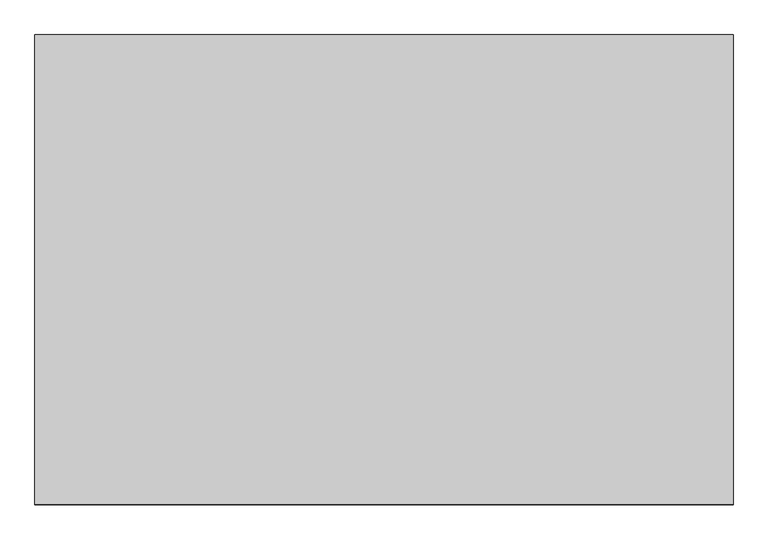
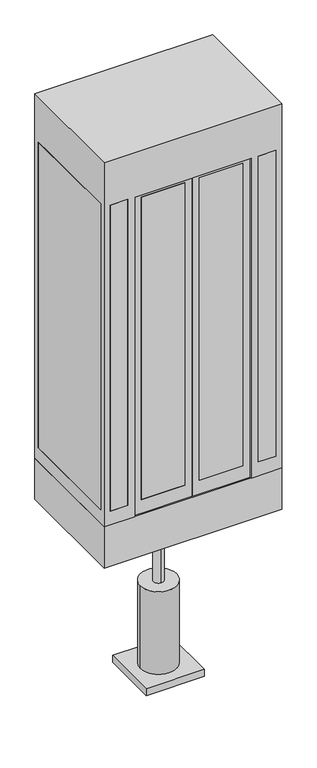
"""IFC4 building model written with IfcOpenShell, lengths in millimetres: proxy geometry."""

import ifcopenshell
import ifcopenshell.guid

model = None  # the IFC model being written
_history = None  # IfcOwnerHistory: only IFC2X3 demands one
_inside = {}  # id of a spatial element -> (the spatial element, [elements in it])
_under = {}  # id of a project, library or spatial element -> (it, [spatial elements below it])
_declared = {}  # id of a project -> (the project, [libraries it declares])
_typed = {}  # id of a type object -> (the type object, [elements of that type])
_made_of = {}  # id of a material, layer set ... -> (it, [elements and type objects made of it])


def new_model(schema):
    """Start an empty IFC model of exactly this schema.

    Asked for "IFC4X3", IfcOpenShell would pick the latest addendum, in which some entities
    have other attributes; the version numbers below select the first issue.
    IFC2X3 requires an IfcOwnerHistory on every rooted entity: one is made here for all.
    """
    global model, _history
    if schema == "IFC4X3":
        model = ifcopenshell.file(schema_version=(4, 3, 0, 0))
    else:
        model = ifcopenshell.file(schema=schema)
    _inside.clear()
    _under.clear()
    _declared.clear()
    _typed.clear()
    _made_of.clear()
    _history = None
    if model.schema == "IFC2X3":
        org = make("IfcOrganization", Name="unknown")
        user = make(
            "IfcPersonAndOrganization",
            ThePerson=make("IfcPerson", FamilyName="unknown"),
            TheOrganization=org,
        )
        app = make(
            "IfcApplication",
            ApplicationDeveloper=org,
            Version="unknown",
            ApplicationFullName="unknown",
            ApplicationIdentifier="unknown",
        )
        _history = make(
            "IfcOwnerHistory",
            OwningUser=user,
            OwningApplication=app,
            ChangeAction="ADDED",
            CreationDate=0,
        )
    return model


def make(cls, **values):
    """One entity of the class cls with the attributes given. An attribute that is None is left unset."""
    return model.create_entity(
        cls, **{name: value for name, value in values.items() if value is not None}
    )


def rooted(cls, **values):
    """An entity with a GlobalId (a new one), such as an element, a storey or a relation."""
    return make(cls, GlobalId=ifcopenshell.guid.new(), OwnerHistory=_history, **values)


def si_unit(unit_type, name, prefix=None):
    """IfcSIUnit, for example si_unit("LENGTHUNIT", "METRE", prefix="MILLI")."""
    return make("IfcSIUnit", UnitType=unit_type, Prefix=prefix, Name=name)


def assignment(units):
    """IfcUnitAssignment: the units of a project."""
    return None if units is None else make("IfcUnitAssignment", Units=units)


def point(xyz):
    """IfcCartesianPoint."""
    return None if xyz is None else make("IfcCartesianPoint", Coordinates=xyz)


def direction(xyz):
    """IfcDirection."""
    return None if xyz is None else make("IfcDirection", DirectionRatios=xyz)


def frame(location, z_axis=None, x_axis=None):
    """IfcAxis2Placement3D, a coordinate frame: its origin and axes. An axis left out is left unset."""
    return make(
        "IfcAxis2Placement3D",
        Location=point(location),
        Axis=direction(z_axis),
        RefDirection=direction(x_axis),
    )


def frame_2d(location, x_axis=None):
    """IfcAxis2Placement2D, a coordinate frame in the plane: its origin and x axis."""
    return make(
        "IfcAxis2Placement2D", Location=point(location), RefDirection=direction(x_axis)
    )


def origin():
    """The frame at (0, 0, 0) with its axes left unset."""
    return frame((0.0, 0.0, 0.0))


def place(relative_to, where):
    """IfcLocalPlacement: puts the frame where relative to a parent placement (None: the world)."""
    return make(
        "IfcLocalPlacement", PlacementRelTo=relative_to, RelativePlacement=where
    )


def context(
    kind, dimensions, precision=None, world=None, true_north=None, identifier=None
):
    """IfcGeometricRepresentationContext, for example the 3D "Model" context."""
    return make(
        "IfcGeometricRepresentationContext",
        ContextIdentifier=identifier,
        ContextType=kind,
        CoordinateSpaceDimension=dimensions,
        Precision=precision,
        WorldCoordinateSystem=world,
        TrueNorth=true_north,
    )


def project(units=None, contexts=None):
    """IfcProject with its units and contexts."""
    return rooted(
        "IfcProject",
        Name="project",
        RepresentationContexts=contexts,
        UnitsInContext=assignment(units),
    )


def spatial(cls, under=None, at=None, **own):
    """A site, building, storey or space (cls), placed at a placement, below another one or the project."""
    s = rooted(cls, ObjectPlacement=at, **own)
    if under is not None:
        _under.setdefault(under.id(), (under, []))[1].append(s)
    return s


def polyline(points):
    """IfcPolyline through the points."""
    return make("IfcPolyline", Points=[point(p) for p in points])


def circle_curve(where, radius):
    """IfcCircle in the frame where."""
    return make("IfcCircle", Position=where, Radius=radius)


def trimmed(basis, trim1, trim2, sense, master):
    """IfcTrimmedCurve: the piece of a basis curve between two trims."""
    return make(
        "IfcTrimmedCurve",
        BasisCurve=basis,
        Trim1=trim1,
        Trim2=trim2,
        SenseAgreement=sense,
        MasterRepresentation=master,
    )


def segment(curve, same_sense, transition):
    """IfcCompositeCurveSegment."""
    return make(
        "IfcCompositeCurveSegment",
        Transition=transition,
        SameSense=same_sense,
        ParentCurve=curve,
    )


def composite_curve(segments, self_intersect=None):
    """IfcCompositeCurve: segments joined end to end."""
    return make("IfcCompositeCurve", Segments=segments, SelfIntersect=self_intersect)


def outline(outer, holes=None, kind="AREA"):
    """IfcArbitraryClosedProfileDef: a profile drawn as a closed curve; with holes, ...WithVoids."""
    if holes is None:
        return make("IfcArbitraryClosedProfileDef", ProfileType=kind, OuterCurve=outer)
    return make(
        "IfcArbitraryProfileDefWithVoids",
        ProfileType=kind,
        OuterCurve=outer,
        InnerCurves=holes,
    )


def extrude(swept, where, along, depth):
    """IfcExtrudedAreaSolid: the profile swept, set in the frame where, extruded along a direction by depth."""
    return make(
        "IfcExtrudedAreaSolid",
        SweptArea=swept,
        Position=where,
        ExtrudedDirection=direction(along),
        Depth=depth,
    )


def faces_of(points, faces, orient=None, outer=None):
    """IfcFace entities. A face is a list of loops; a loop is a list of indices into points, from 0.

    orient and outer hold one flag for each loop. By default every Orientation is true, the
    first loop of a face is its IfcFaceOuterBound and the others are IfcFaceBound.
    """
    made = []
    for i, loops in enumerate(faces):
        bounds = []
        for j, loop in enumerate(loops):
            is_outer = j == 0 if outer is None else outer[i][j]
            bounds.append(
                make(
                    "IfcFaceOuterBound" if is_outer else "IfcFaceBound",
                    Bound=make("IfcPolyLoop", Polygon=[points[k] for k in loop]),
                    Orientation=True if orient is None else orient[i][j],
                )
            )
        made.append(make("IfcFace", Bounds=bounds))
    return made


def faceted_brep(points, faces, orient=None, outer=None, voids=None):
    """IfcFacetedBrep: a solid bounded by flat faces; with voids (closed shells), ...WithVoids."""
    shared = [point(p) for p in points]
    hull = make("IfcClosedShell", CfsFaces=faces_of(shared, faces, orient, outer))
    if voids is None:
        return make("IfcFacetedBrep", Outer=hull)
    return make(
        "IfcFacetedBrepWithVoids",
        Outer=hull,
        Voids=[
            make(cls, CfsFaces=faces_of(shared, fs, o, b)) for cls, fs, o, b in voids
        ],
    )


def shape(context_of_items, identifier, shape_type, items):
    """IfcShapeRepresentation: the items that make up one representation, for example the "Body"."""
    return make(
        "IfcShapeRepresentation",
        ContextOfItems=context_of_items,
        RepresentationIdentifier=identifier,
        RepresentationType=shape_type,
        Items=items,
    )


def source(mapping_origin, context_of_items, identifier, shape_type, items):
    """IfcRepresentationMap: a shape defined once, which mapped items show again and again."""
    return make(
        "IfcRepresentationMap",
        MappingOrigin=mapping_origin,
        MappedRepresentation=shape(context_of_items, identifier, shape_type, items),
    )


def transform(
    local_origin,
    x_axis=None,
    y_axis=None,
    z_axis=None,
    scale=None,
    scale2=None,
    scale3=None,
    uniform=True,
):
    """IfcCartesianTransformationOperator3D, or its non-uniform kind. x_axis, y_axis, z_axis: its Axis1, 2, 3."""
    if uniform:
        return make(
            "IfcCartesianTransformationOperator3D",
            Axis1=direction(x_axis),
            Axis2=direction(y_axis),
            LocalOrigin=point(local_origin),
            Scale=scale,
            Axis3=direction(z_axis),
        )
    return make(
        "IfcCartesianTransformationOperator3DnonUniform",
        Axis1=direction(x_axis),
        Axis2=direction(y_axis),
        LocalOrigin=point(local_origin),
        Scale=scale,
        Axis3=direction(z_axis),
        Scale2=scale2,
        Scale3=scale3,
    )


def mapped(mapping_source, mapping_target):
    """IfcMappedItem: shows the shape of a source again, moved by a transform."""
    return make(
        "IfcMappedItem", MappingSource=mapping_source, MappingTarget=mapping_target
    )


def made_of(thing, what):
    """Note that an element or type object is made of a material, layer set ...; save() writes the relation."""
    if what is not None:
        _made_of.setdefault(what.id(), (what, []))[1].append(thing)
    return thing


def element(
    cls,
    number,
    at=None,
    inside=None,
    cuts=None,
    type_object=None,
    material=None,
    context=None,
    identifier="Body",
    shape_type=None,
    held_by="IfcProductDefinitionShape",
    body=None,
    shapes=None,
    **own,
):
    """One element of the class cls, such as IfcWall. Its Tag is "e" and its number.

    at: its placement. inside: the storey or other place that contains it. cuts: it is an
    opening in that element (IfcRelVoidsElement). A single representation is given by context,
    identifier, shape_type and body (its items); several are given by shapes. held_by: the class
    of the entity that holds the representations. save() writes the other relations.
    """
    e = rooted(cls, Tag="e%d" % number, ObjectPlacement=at, **own)
    if body is not None:
        shapes = [shape(context, identifier, shape_type, body)]
    if shapes is not None:
        e.Representation = make(held_by, Representations=shapes)
    if inside is not None:
        _inside.setdefault(inside.id(), (inside, []))[1].append(e)
    if cuts is not None:
        rooted(
            "IfcRelVoidsElement", RelatingBuildingElement=cuts, RelatedOpeningElement=e
        )
    if type_object is not None:
        _typed.setdefault(type_object.id(), (type_object, []))[1].append(e)
    return made_of(e, material)


def aggregate(whole, parts):
    """IfcRelAggregates: a whole, such as a stair, and the parts it consists of."""
    return rooted("IfcRelAggregates", RelatingObject=whole, RelatedObjects=parts)


def save(model, path):
    """Write the relations noted so far, then the file.

    IfcRelAggregates (storeys below a building ...), IfcRelContainedInSpatialStructure (elements
    in a storey), IfcRelDefinesByType, IfcRelAssociatesMaterial and IfcRelDeclares: one each for
    every whole, place, type object, material and project.
    """
    for whole, parts in _under.values():
        aggregate(whole, parts)
    for where, things in _inside.values():
        rooted(
            "IfcRelContainedInSpatialStructure",
            RelatedElements=things,
            RelatingStructure=where,
        )
    for kind, things in _typed.values():
        rooted("IfcRelDefinesByType", RelatedObjects=things, RelatingType=kind)
    for what, things in _made_of.values():
        rooted("IfcRelAssociatesMaterial", RelatedObjects=things, RelatingMaterial=what)
    for by, libraries in _declared.values():
        rooted("IfcRelDeclares", RelatingContext=by, RelatedDefinitions=libraries)
    model.write(path)


def specialty_equipment_c5160461(model_context):
    return source(origin(), model_context, "Body", "SolidModel", [
        extrude(outline(composite_curve([segment(trimmed(circle_curve(frame_2d((34.4858536, 51.9253128)), 35.0), [point((34.4858536, 86.9253128))], [point((34.4858536, 16.9253128))], False, "CARTESIAN"), True, "CONTINUOUS"), segment(trimmed(circle_curve(frame_2d((34.4858536, 51.9253128)), 35.0), [point((34.4858536, 16.9253128))], [point((34.4858536, 86.9253128))], False, "CARTESIAN"), True, "CONTINUOUS")], self_intersect=False)), frame((0.0, 0.0, -850.0), z_axis=(0.0, 0.0, 1.0), x_axis=(1.0, 0.0, 0.0)), (0.0, 0.0, 1.0), 550.0),
        extrude(outline(composite_curve([segment(trimmed(circle_curve(frame_2d((34.4858536, 51.9253128)), 125.0), [point((-90.5141464, 51.9253128))], [point((159.4858536, 51.9253128))], False, "CARTESIAN"), True, "CONTINUOUS"), segment(trimmed(circle_curve(frame_2d((34.4858536, 51.9253128)), 125.0), [point((159.4858536, 51.9253128))], [point((-90.5141464, 51.9253128))], False, "CARTESIAN"), True, "CONTINUOUS")], self_intersect=False)), frame((0.0, 0.0, -1450.0), z_axis=(0.0, 0.0, 1.0), x_axis=(1.0, 0.0, 0.0)), (0.0, 0.0, 1.0), 600.0),
        extrude(outline(polyline([(234.4858536, -148.0746872), (-165.5141464, -148.0746872), (-165.5141464, 251.9253128), (234.4858536, 251.9253128), (234.4858536, -148.0746872)])), frame((0.0, 0.0, -1500.0), z_axis=(0.0, 0.0, 1.0), x_axis=(1.0, 0.0, 0.0)), (0.0, 0.0, 1.0), 50.0),
        extrude(outline(polyline([(-15.5141464, -348.0746872), (-315.5141464, -348.0746872), (-315.5141464, -336.0746872), (-15.5141464, -336.0746872), (-15.5141464, -348.0746872)])), frame((0.0, 0.0, 100.0), z_axis=(0.0, 0.0, 1.0), x_axis=(1.0, 0.0, 0.0)), (0.0, 0.0, 1.0), 2200.0),
        extrude(outline(polyline([(384.4858536, -348.0746872), (84.4858536, -348.0746872), (84.4858536, -336.0746872), (384.4858536, -336.0746872), (384.4858536, -348.0746872)])), frame((0.0, 0.0, 100.0), z_axis=(0.0, 0.0, 1.0), x_axis=(1.0, 0.0, 0.0)), (0.0, 0.0, 1.0), 2200.0),
        extrude(outline(polyline([(2400.0, 33.4858536), (2400.0, -365.5141464), (0.0, -365.5141464), (0.0, 33.4858536), (2400.0, 33.4858536)]), holes=[polyline([(2300.0, -15.5141464), (100.0, -15.5141464), (100.0, -315.5141464), (2300.0, -315.5141464), (2300.0, -15.5141464)])]), frame((0.0, -348.0746872, 0.0), z_axis=(0.0, 1.0, 0.0), x_axis=(0.0, 0.0, 1.0)), (0.0, 0.0, 1.0), 12.0),
        extrude(outline(polyline([(0.0, 35.4858536), (0.0, 434.4858536), (2400.0, 434.4858536), (2400.0, 35.4858536), (0.0, 35.4858536)]), holes=[polyline([(2300.0, 384.4858536), (100.0, 384.4858536), (100.0, 84.4858536), (2300.0, 84.4858536), (2300.0, 384.4858536)])]), frame((0.0, -348.0746872, 0.0), z_axis=(0.0, 1.0, 0.0), x_axis=(0.0, 0.0, 1.0)), (0.0, 0.0, 1.0), 12.0),
        extrude(outline(polyline([(-415.5141464, -360.0746872), (-535.5141464, -360.0746872), (-535.5141464, -348.0746872), (-415.5141464, -348.0746872), (-415.5141464, -360.0746872)])), frame((0.0, 0.0, 100.0), z_axis=(0.0, 0.0, 1.0), x_axis=(1.0, 0.0, 0.0)), (0.0, 0.0, 1.0), 2225.0),
        extrude(outline(polyline([(604.4858536, -360.0746872), (484.4858536, -360.0746872), (484.4858536, -348.0746872), (604.4858536, -348.0746872), (604.4858536, -360.0746872)])), frame((0.0, 0.0, 100.0), z_axis=(0.0, 0.0, 1.0), x_axis=(1.0, 0.0, 0.0)), (0.0, 0.0, 1.0), 2225.0),
        extrude(outline(polyline([(-565.5141464, -318.0746872), (-577.5141464, -318.0746872), (-577.5141464, 421.9253128), (-565.5141464, 421.9253128), (-565.5141464, -318.0746872)])), frame((0.0, 0.0, 100.0), z_axis=(0.0, 0.0, 1.0), x_axis=(1.0, 0.0, 0.0)), (0.0, 0.0, 1.0), 2225.0),
        extrude(outline(polyline([(604.4858536, 463.9253128), (604.4858536, 451.9253128), (-535.5141464, 451.9253128), (-535.5141464, 463.9253128), (604.4858536, 463.9253128)])), frame((0.0, 0.0, 100.0), z_axis=(0.0, 0.0, 1.0), x_axis=(1.0, 0.0, 0.0)), (0.0, 0.0, 1.0), 2225.0),
        extrude(outline(polyline([(634.4858536, -318.0746872), (634.4858536, 421.9253128), (646.4858536, 421.9253128), (646.4858536, -318.0746872), (634.4858536, -318.0746872)])), frame((0.0, 0.0, 100.0), z_axis=(0.0, 0.0, 1.0), x_axis=(1.0, 0.0, 0.0)), (0.0, 0.0, 1.0), 2225.0),
        faceted_brep([(634.4858536, 421.9253128, 100.0), (634.4858536, -318.0746872, 100.0), (646.4858536, -318.0746872, 100.0), (646.4858536, 421.9253128, 100.0), (-565.5141464, -318.0746872, 100.0), (-565.5141464, 421.9253128, 100.0), (-577.5141464, 421.9253128, 100.0), (-577.5141464, -318.0746872, 100.0), (-535.5141464, 451.9253128, 100.0), (604.4858536, 451.9253128, 100.0), (604.4858536, 463.9253128, 100.0), (-535.5141464, 463.9253128, 100.0), (604.4858536, -360.0746872, 100.0), (604.4858536, -348.0746872, 100.0), (484.4858536, -348.0746872, 100.0), (484.4858536, -360.0746872, 100.0), (-535.5141464, -348.0746872, 100.0), (-535.5141464, -360.0746872, 100.0), (-415.5141464, -360.0746872, 100.0), (-415.5141464, -348.0746872, 100.0), (434.4858536, -360.0746872, 0.0), (434.4858536, -348.0746872, 0.0), (634.4858536, -348.0746872, 0.0), (634.4858536, 451.9253128, 0.0), (-565.5141464, 451.9253128, 0.0), (-565.5141464, -348.0746872, 0.0), (-365.5141464, -348.0746872, 0.0), (-365.5141464, -360.0746872, 0.0), (-577.5141464, -360.0746872, 0.0), (-577.5141464, 463.9253128, 0.0), (646.4858536, 463.9253128, 0.0), (646.4858536, -360.0746872, 0.0), (634.4858536, 451.9253128, 2400.0), (634.4858536, -348.0746872, 2400.0), (634.4858536, 421.9253128, 2325.0), (634.4858536, -318.0746872, 2325.0), (646.4858536, 463.9253128, 2650.0), (646.4858536, -360.0746872, 2650.0), (646.4858536, -318.0746872, 2325.0), (646.4858536, 421.9253128, 2325.0), (434.4858536, -360.0746872, 2325.0), (434.4858536, -348.0746872, 2325.0), (-577.5141464, -360.0746872, 2650.0), (-365.5141464, -360.0746872, 2325.0), (-535.5141464, -360.0746872, 2325.0), (-415.5141464, -360.0746872, 2325.0), (604.4858536, -360.0746872, 2325.0), (484.4858536, -360.0746872, 2325.0), (-365.5141464, -348.0746872, 2325.0), (-565.5141464, -348.0746872, 2400.0), (-535.5141464, -348.0746872, 2325.0), (-415.5141464, -348.0746872, 2325.0), (604.4858536, -348.0746872, 2325.0), (484.4858536, -348.0746872, 2325.0), (-565.5141464, 451.9253128, 2400.0), (-565.5141464, -318.0746872, 2325.0), (-565.5141464, 421.9253128, 2325.0), (-577.5141464, 463.9253128, 2650.0), (-577.5141464, 421.9253128, 2325.0), (-577.5141464, -318.0746872, 2325.0), (-535.5141464, 451.9253128, 2325.0), (604.4858536, 451.9253128, 2325.0), (604.4858536, 463.9253128, 2325.0), (-535.5141464, 463.9253128, 2325.0)], [[[0, 1, 2, 3]], [[4, 5, 6, 7]], [[8, 9, 10, 11]], [[12, 13, 14, 15]], [[16, 17, 18, 19]], [[20, 21, 22, 23, 24, 25, 26, 27, 28, 29, 30, 31]], [[32, 23, 22, 33], [1, 0, 34, 35]], [[36, 37, 31, 30], [3, 2, 38, 39]], [[21, 20, 40, 41]], [[31, 37, 42, 28, 27, 43, 40, 20], [17, 44, 45, 18], [46, 12, 15, 47]], [[33, 22, 21, 41, 48, 26, 25, 49], [50, 16, 19, 51], [13, 52, 53, 14]], [[27, 26, 48, 43]], [[24, 54, 49, 25], [5, 4, 55, 56]], [[29, 28, 42, 57], [7, 6, 58, 59]], [[23, 32, 54, 24], [9, 8, 60, 61]], [[36, 30, 29, 57], [11, 10, 62, 63]], [[0, 3, 39, 34]], [[10, 9, 61, 62]], [[13, 12, 46, 52]], [[2, 1, 35, 38]], [[8, 11, 63, 60]], [[6, 5, 56, 58]], [[4, 7, 59, 55]], [[17, 16, 50, 44]], [[35, 34, 39, 38]], [[48, 41, 40, 43]], [[56, 55, 59, 58]], [[63, 62, 61, 60]], [[52, 46, 47, 53]], [[44, 50, 51, 45]], [[51, 19, 18, 45]], [[14, 53, 47, 15]], [[57, 42, 37, 36]], [[32, 33, 49, 54]]]),
        extrude(outline(polyline([(646.4858536, 463.9253128), (646.4858536, -360.0746872), (-577.5141464, -360.0746872), (-577.5141464, 463.9253128), (646.4858536, 463.9253128)])), frame((0.0, 0.0, -300.0), z_axis=(0.0, 0.0, 1.0), x_axis=(1.0, 0.0, 0.0)), (0.0, 0.0, 1.0), 300.0),
    ])


if __name__ == "__main__":
    model = new_model("IFC4")
    model_context = context("Model", 3, world=origin())
    ifc_project = project(units=[si_unit("LENGTHUNIT", "METRE", prefix="MILLI")], contexts=[model_context])
    site = spatial("IfcSite", under=ifc_project)
    building = spatial("IfcBuilding", under=site)
    placement = place(None, origin())
    specialty_equipment_shape = specialty_equipment_c5160461(model_context)
    element("IfcBuildingElementProxy", 1, Name="Specialty Equipment", at=placement, inside=building, context=model_context, shape_type="MappedRepresentation", body=[
        mapped(specialty_equipment_shape, transform((0.0, 0.0, 0.0), x_axis=(1.0, 0.0, 0.0), y_axis=(0.0, 1.0, 0.0), z_axis=(0.0, 0.0, 1.0))),
    ])
    save(model, "model.ifc")
